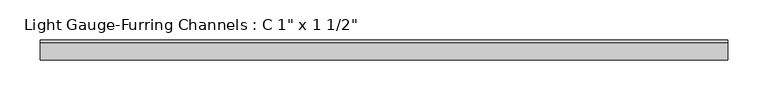
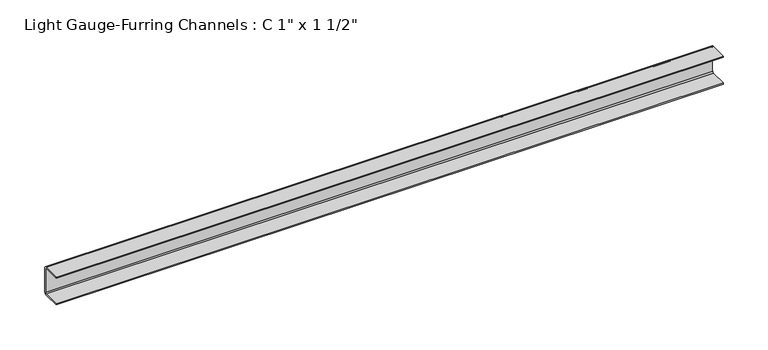
"""IFC4 building model written with IfcOpenShell, lengths in millimetres: beam geometry."""

from ifc_helpers import new_model, si_unit, point, frame, frame_2d, origin, place, context, project, spatial, polyline, circle_curve, trimmed, segment, composite_curve, outline, extrude, source, transform, mapped, element, save


def beam_fd194d5e(model_context):
    return source(origin(), model_context, "Body", "SweptSolid", [
        extrude(outline(composite_curve([segment(trimmed(circle_curve(frame_2d((-3.175, -15.875)), 3.175), [point((0.0, -15.875))], [point((-3.175, -19.05))], False, "CARTESIAN"), True, "CONTINUOUS"), segment(polyline([(-3.175, -19.05), (-25.4, -19.05), (-25.4, -17.4625), (-3.175, -17.4625)]), True, "CONTINUOUS"), segment(trimmed(circle_curve(frame_2d((-3.175, -15.875)), 1.5875), [point((-3.175, -17.4625))], [point((-1.5875, -15.875))], True, "CARTESIAN"), True, "CONTINUOUS"), segment(polyline([(-1.5875, -15.875), (-1.5875, 15.875)]), True, "CONTINUOUS"), segment(trimmed(circle_curve(frame_2d((-3.175, 15.875)), 1.5875), [point((-1.5875, 15.875))], [point((-3.175, 17.4625))], True, "CARTESIAN"), True, "CONTINUOUS"), segment(polyline([(-3.175, 17.4625), (-25.4, 17.4625), (-25.4, 19.05), (-3.175, 19.05)]), True, "CONTINUOUS"), segment(trimmed(circle_curve(frame_2d((-3.175, 15.875)), 3.175), [point((-3.175, 19.05))], [point((0.0, 15.875))], False, "CARTESIAN"), True, "CONTINUOUS"), segment(polyline([(0.0, 15.875), (0.0, -15.875)]), True, "CONTINUOUS")], self_intersect=False)), frame((-429.4471127, 0.0, 0.0), z_axis=(1.0, 0.0, 0.0), x_axis=(0.0, 1.0, 0.0)), (0.0, 0.0, 1.0), 858.8942253),
    ])


if __name__ == "__main__":
    model = new_model("IFC4")
    model_context = context("Model", 3, world=origin())
    ifc_project = project(units=[si_unit("LENGTHUNIT", "METRE", prefix="MILLI")], contexts=[model_context])
    site = spatial("IfcSite", under=ifc_project)
    building = spatial("IfcBuilding", under=site)
    placement = place(None, origin())
    beam_shape = beam_fd194d5e(model_context)
    element("IfcBeam", 1, ObjectType="Light Gauge-Furring Channels : C 1\" x 1 1/2\"", at=placement, inside=building, context=model_context, shape_type="MappedRepresentation", body=[
        mapped(beam_shape, transform((0.0, 0.0, 0.0), x_axis=(1.0, 0.0, 0.0), y_axis=(0.0, 1.0, 0.0), z_axis=(0.0, 0.0, 1.0))),
    ])
    save(model, "model.ifc")
